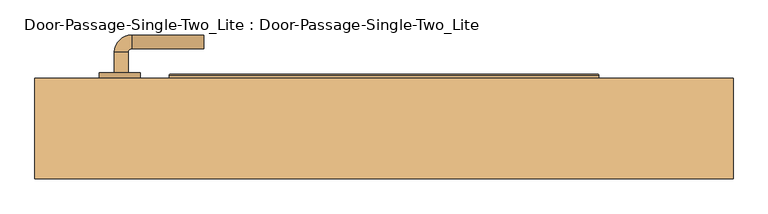
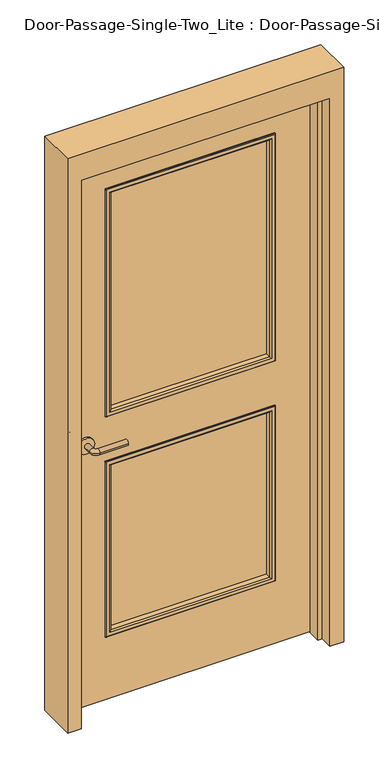
"""IFC4 building model written with IfcOpenShell, lengths in millimetres: door geometry, Door-Passage-Single-Two_Lite : Door-Passage-Single-Two_Lite."""

from ifc_helpers import new_model, si_unit, point, frame, frame_2d, origin, place, context, project, spatial, polyline, circle_curve, ellipse_curve, trimmed, segment, composite_curve, outline, extrude, faceted_brep, source, transform, mapped, element, save
from ifc_brep_helpers import plane_surface, cylinder_surface, revolved_surface, advanced_brep


def door_passage_single_two_lite_door_passage_single_two_lite_b0d020e8(model_context):
    return source(origin(), model_context, "Body", "SolidModel", [
        advanced_brep(
        [(-392.190625, 92.0125, 1016.0), (-372.190625, 92.0125, 1016.0), (-372.190625, 62.0125, 1016.0), (-392.190625, 62.0125, 1016.0), (-367.190625, 57.0125, 1016.0), (-367.190625, 37.0125, 1016.0), (-262.190625, 37.0125, 1016.0), (-262.190625, 57.0125, 1016.0)],
        [
            (0, 1, circle_curve(frame((-382.190625, 92.0125, 1016.0), z_axis=(0.0, 1.0, 0.0), x_axis=(1.0, 0.0, 0.0)), 10.0)),
            (1, 0, circle_curve(frame((-382.190625, 92.0125, 1016.0), z_axis=(0.0, 1.0, 0.0), x_axis=(1.0, 0.0, 0.0)), 10.0)),
            (1, 2),
            (2, 3, circle_curve(frame((-382.190625, 62.0125, 1016.0), z_axis=(0.0, 1.0, 0.0), x_axis=(1.0, 0.0, 0.0)), 10.0)),
            (3, 0),
            (3, 2, circle_curve(frame((-382.190625, 62.0125, 1016.0), z_axis=(0.0, 1.0, 0.0), x_axis=(1.0, 0.0, 0.0)), 10.0)),
            (4, 5, circle_curve(frame((-367.190625, 47.0125, 1016.0), z_axis=(-1.0, 0.0, 0.0), x_axis=(0.0, 1.0, 0.0)), 10.0)),
            (5, 3, circle_curve(frame((-367.190625, 62.0125, 1016.0), z_axis=(0.0, 0.0, -1.0), x_axis=(-1.0, 0.0, 0.0)), 25.0)),
            (2, 4, circle_curve(frame((-367.190625, 62.0125, 1016.0), z_axis=(0.0, 0.0, 1.0), x_axis=(-1.0, 0.0, 0.0)), 5.0)),
            (5, 4, circle_curve(frame((-367.190625, 47.0125, 1016.0), z_axis=(-1.0, 0.0, 0.0), x_axis=(0.0, 1.0, 0.0)), 10.0)),
            (6, 7, circle_curve(frame((-262.190625, 47.0125, 1016.0), z_axis=(1.0, 0.0, 0.0), x_axis=(0.0, 1.0, 0.0)), 10.0)),
            (7, 6, circle_curve(frame((-262.190625, 47.0125, 1016.0), z_axis=(1.0, 0.0, 0.0), x_axis=(0.0, 1.0, 0.0)), 10.0)),
            (4, 7),
            (6, 5),
        ],
        [
            plane_surface(frame((-382.190625, 92.0125, 1016.0), z_axis=(0.0, 1.0, 0.0), x_axis=(0.0, 0.0, 1.0))),
            cylinder_surface(frame((-382.190625, 92.0125, 1016.0), z_axis=(0.0, 1.0, 0.0), x_axis=(1.0, 0.0, 0.0)), 10.0),
            revolved_surface(trimmed(ellipse_curve(frame((-382.190625, 62.0125, 1016.0), z_axis=(0.0, -1.0, 0.0), x_axis=(1.0, 0.0, 0.0)), 10.0, 10.0), [point((-392.190625, 62.0125, 1016.0))], [point((-372.190625, 62.0125, 1016.0))], True, "CARTESIAN"), (-367.190625, 62.0125, 1016.0), (0.0, 0.0, -1.0)),
            revolved_surface(trimmed(ellipse_curve(frame((-382.190625, 62.0125, 1016.0), z_axis=(0.0, -1.0, 0.0), x_axis=(1.0, 0.0, 0.0)), 10.0, 10.0), [point((-372.190625, 62.0125, 1016.0))], [point((-392.190625, 62.0125, 1016.0))], True, "CARTESIAN"), (-367.190625, 62.0125, 1016.0), (0.0, 0.0, -1.0)),
            plane_surface(frame((-262.190625, 47.0125, 1016.0), z_axis=(1.0, 0.0, 0.0), x_axis=(0.0, 0.0, 1.0))),
            cylinder_surface(frame((-367.190625, 47.0125, 1016.0), z_axis=(-1.0, 0.0, 0.0), x_axis=(0.0, 1.0, 0.0)), 10.0),
        ],
        [
            (0, [[1, 2]]),
            (1, [[3, 4, 5, -2]]),
            (1, [[-5, 6, -3, -1]]),
            (2, [[7, 8, -4, 9]]),
            (3, [[10, -9, -6, -8]]),
            (4, [[11, 12]]),
            (5, [[13, -11, 14, -7]]),
            (5, [[-14, -12, -13, -10]]),
        ],
    ),
        extrude(outline(composite_curve([segment(trimmed(circle_curve(frame_2d((1016.0, -384.690625)), 30.0), [point((1016.0, -414.690625))], [point((1016.0, -354.690625))], False, "CARTESIAN"), True, "CONTINUOUS"), segment(trimmed(circle_curve(frame_2d((1016.0, -384.690625)), 30.0), [point((1016.0, -354.690625))], [point((1016.0, -414.690625))], False, "CARTESIAN"), True, "CONTINUOUS")], self_intersect=False)), frame((0.0, 92.0125, 0.0), z_axis=(0.0, 1.0, 0.0), x_axis=(0.0, 0.0, 1.0)), (0.0, 0.0, 1.0), 8.0),
        advanced_brep(
        [(-392.190625, 152.4625, 1016.0), (-372.190625, 152.4625, 1016.0), (-392.190625, 182.4625, 1016.0), (-372.190625, 182.4625, 1016.0), (-367.190625, 187.4625, 1016.0), (-367.190625, 207.4625, 1016.0), (-262.190625, 207.4625, 1016.0), (-262.190625, 187.4625, 1016.0)],
        [
            (0, 1, circle_curve(frame((-382.190625, 152.4625, 1016.0), z_axis=(0.0, -1.0, 0.0), x_axis=(1.0, 0.0, 0.0)), 10.0)),
            (1, 0, circle_curve(frame((-382.190625, 152.4625, 1016.0), z_axis=(0.0, -1.0, 0.0), x_axis=(1.0, 0.0, 0.0)), 10.0)),
            (0, 2),
            (2, 3, circle_curve(frame((-382.190625, 182.4625, 1016.0), z_axis=(0.0, -1.0, 0.0), x_axis=(1.0, 0.0, 0.0)), 10.0)),
            (3, 1),
            (3, 2, circle_curve(frame((-382.190625, 182.4625, 1016.0), z_axis=(0.0, -1.0, 0.0), x_axis=(1.0, 0.0, 0.0)), 10.0)),
            (4, 3, circle_curve(frame((-367.190625, 182.4625, 1016.0), z_axis=(0.0, 0.0, 1.0), x_axis=(-1.0, 0.0, 0.0)), 5.0)),
            (2, 5, circle_curve(frame((-367.190625, 182.4625, 1016.0), z_axis=(0.0, 0.0, -1.0), x_axis=(-1.0, 0.0, 0.0)), 25.0)),
            (5, 4, circle_curve(frame((-367.190625, 197.4625, 1016.0), z_axis=(-1.0, 0.0, 0.0), x_axis=(0.0, -1.0, 0.0)), 10.0)),
            (4, 5, circle_curve(frame((-367.190625, 197.4625, 1016.0), z_axis=(-1.0, 0.0, 0.0), x_axis=(0.0, -1.0, 0.0)), 10.0)),
            (6, 7, circle_curve(frame((-262.190625, 197.4625, 1016.0), z_axis=(1.0, 0.0, 0.0), x_axis=(0.0, -1.0, 0.0)), 10.0)),
            (7, 6, circle_curve(frame((-262.190625, 197.4625, 1016.0), z_axis=(1.0, 0.0, 0.0), x_axis=(0.0, -1.0, 0.0)), 10.0)),
            (5, 6),
            (7, 4),
        ],
        [
            plane_surface(frame((-382.190625, 152.4625, 1016.0), z_axis=(0.0, -1.0, 0.0), x_axis=(0.0, 0.0, 1.0))),
            cylinder_surface(frame((-382.190625, 152.4625, 1016.0), z_axis=(0.0, -1.0, 0.0), x_axis=(1.0, 0.0, 0.0)), 10.0),
            revolved_surface(trimmed(ellipse_curve(frame((-382.190625, 182.4625, 1016.0), z_axis=(0.0, -1.0, 0.0), x_axis=(1.0, 0.0, 0.0)), 10.0, 10.0), [point((-392.190625, 182.4625, 1016.0))], [point((-372.190625, 182.4625, 1016.0))], True, "CARTESIAN"), (-367.190625, 182.4625, 1016.0), (0.0, 0.0, -1.0)),
            revolved_surface(trimmed(ellipse_curve(frame((-382.190625, 182.4625, 1016.0), z_axis=(0.0, -1.0, 0.0), x_axis=(1.0, 0.0, 0.0)), 10.0, 10.0), [point((-372.190625, 182.4625, 1016.0))], [point((-392.190625, 182.4625, 1016.0))], True, "CARTESIAN"), (-367.190625, 182.4625, 1016.0), (0.0, 0.0, -1.0)),
            plane_surface(frame((-262.190625, 197.4625, 1016.0), z_axis=(1.0, 0.0, 0.0), x_axis=(0.0, 0.0, 1.0))),
            cylinder_surface(frame((-367.190625, 197.4625, 1016.0), z_axis=(-1.0, 0.0, 0.0), x_axis=(0.0, -1.0, 0.0)), 10.0),
        ],
        [
            (0, [[1, 2]]),
            (1, [[-1, 3, 4, 5]]),
            (1, [[-2, -5, 6, -3]]),
            (2, [[7, -4, 8, 9]]),
            (3, [[-8, -6, -7, 10]]),
            (4, [[11, 12]]),
            (5, [[-9, 13, -12, 14]]),
            (5, [[-10, -14, -11, -13]]),
        ],
    ),
        extrude(outline(composite_curve([segment(trimmed(circle_curve(frame_2d((1016.0, -384.690625)), 30.0), [point((1016.0, -414.690625))], [point((1016.0, -354.690625))], False, "CARTESIAN"), True, "CONTINUOUS"), segment(trimmed(circle_curve(frame_2d((1016.0, -384.690625)), 30.0), [point((1016.0, -354.690625))], [point((1016.0, -414.690625))], False, "CARTESIAN"), True, "CONTINUOUS")], self_intersect=False)), frame((0.0, 144.4625, 0.0), z_axis=(0.0, 1.0, 0.0), x_axis=(0.0, 0.0, 1.0)), (0.0, 0.0, 1.0), 8.0),
        faceted_brep([(457.2, 95.25, 0.0), (457.2, 144.4625, 0.0), (508.0, 144.4625, 0.0), (508.0, -1.5875, 0.0), (457.2, -1.5875, 0.0), (457.2, 47.625, 0.0), (441.325, 47.625, 0.0), (441.325, 95.25, 0.0), (457.2, 95.25, 2133.6), (457.2, 144.4625, 2133.6), (-457.2, 144.4625, 2133.6), (-457.2, 144.4625, 0.0), (-508.0, 144.4625, 0.0), (-508.0, 144.4625, 2235.2), (508.0, 144.4625, 2235.2), (508.0, -1.5875, 2235.2), (-508.0, -1.5875, 2235.2), (-508.0, -1.5875, 0.0), (-457.2, -1.5875, 0.0), (-457.2, -1.5875, 2133.6), (457.2, -1.5875, 2133.6), (457.2, 47.625, 2133.6), (-457.2, 47.625, 2133.6), (-457.2, 47.625, 0.0), (-441.325, 47.625, 0.0), (-441.325, 47.625, 2117.725), (441.325, 47.625, 2117.725), (441.325, 95.25, 2117.725), (-441.325, 95.25, 2117.725), (-441.325, 95.25, 0.0), (-457.2, 95.25, 0.0), (-457.2, 95.25, 2133.6)], [[[0, 1, 2, 3, 4, 5, 6, 7]], [[1, 0, 8, 9]], [[2, 1, 9, 10, 11, 12, 13, 14]], [[3, 2, 14, 15]], [[4, 3, 15, 16, 17, 18, 19, 20]], [[5, 4, 20, 21]], [[6, 5, 21, 22, 23, 24, 25, 26]], [[7, 6, 26, 27]], [[0, 7, 27, 28, 29, 30, 31, 8]], [[9, 8, 31, 10]], [[20, 19, 22, 21]], [[26, 25, 28, 27]], [[12, 11, 30, 29, 24, 23, 18, 17]], [[11, 10, 31, 30]], [[13, 12, 17, 16]], [[19, 18, 23, 22]], [[25, 24, 29, 28]], [[15, 14, 13, 16]]]),
        extrude(outline(polyline([(2133.6, -457.2), (0.0, -457.2), (0.0, 457.2), (2133.6, 457.2), (2133.6, -457.2)]), holes=[polyline([(1981.2, -304.8), (1981.2, 304.8), (1111.25, 304.8), (1111.25, -304.8), (1981.2, -304.8)]), polyline([(920.75, -304.8), (920.75, 304.8), (254.0, 304.8), (254.0, -304.8), (920.75, -304.8)])]), frame((0.0, 100.0125, 0.0), z_axis=(0.0, 1.0, 0.0), x_axis=(0.0, 0.0, 1.0)), (0.0, 0.0, 1.0), 44.45),
        extrude(outline(polyline([(304.8, 119.0625), (-304.8, 119.0625), (-304.8, 125.4125), (304.8, 125.4125), (304.8, 119.0625)])), frame((0.0, 0.0, 1111.25), z_axis=(0.0, 0.0, 1.0), x_axis=(1.0, 0.0, 0.0)), (0.0, 0.0, 1.0), 869.95),
        extrude(outline(polyline([(304.8, 119.0625), (-304.8, 119.0625), (-304.8, 125.4125), (304.8, 125.4125), (304.8, 119.0625)])), frame((0.0, 0.0, 254.0), z_axis=(0.0, 0.0, 1.0), x_axis=(1.0, 0.0, 0.0)), (0.0, 0.0, 1.0), 666.75),
        advanced_brep(
        [(304.8, 119.0625, 920.75), (304.8, 100.0125, 920.75), (304.8, 100.0125, 254.0), (304.8, 119.0625, 254.0), (292.8, 99.0125, 908.75), (292.8, 119.0625, 908.75), (292.8, 119.0625, 266.0), (292.8, 99.0125, 266.0), (297.8, 94.0125, 913.75), (297.8, 94.0125, 261.0), (312.8, 96.0125, 928.75), (310.8, 94.0125, 926.75), (310.8, 94.0125, 248.0), (312.8, 96.0125, 246.0), (312.8, 100.0125, 928.75), (312.8, 100.0125, 246.0), (-304.8, 100.0125, 254.0), (-304.8, 119.0625, 254.0), (-292.8, 119.0625, 266.0), (-292.8, 99.0125, 266.0), (-297.8, 94.0125, 261.0), (-310.8, 94.0125, 248.0), (-312.8, 96.0125, 246.0), (-312.8, 100.0125, 246.0), (-304.8, 100.0125, 920.75), (-304.8, 119.0625, 920.75), (-292.8, 119.0625, 908.75), (-292.8, 99.0125, 908.75), (-297.8, 94.0125, 913.75), (-310.8, 94.0125, 926.75), (-312.8, 96.0125, 928.75), (-312.8, 100.0125, 928.75)],
        [
            (0, 1),
            (1, 2),
            (2, 3),
            (3, 0),
            (4, 5),
            (5, 6),
            (6, 7),
            (7, 4),
            (8, 4, ellipse_curve(frame((297.8, 99.0125, 913.75), z_axis=(0.7071067811865475, 0.0, -0.7071067811865475), x_axis=(0.7071067811865474, 0.0, 0.7071067811865476)), 7.0710678, 5.0)),
            (7, 9, ellipse_curve(frame((297.8, 99.0125, 261.0), z_axis=(0.7071067811865475, 0.0, 0.7071067811865475), x_axis=(-0.7071067811865474, 0.0, 0.7071067811865476)), 7.0710678, 5.0)),
            (9, 8),
            (10, 11, ellipse_curve(frame((310.8, 96.0125, 926.75), z_axis=(0.7071067811865475, 0.0, -0.7071067811865475), x_axis=(0.7071067811865474, 0.0, 0.7071067811865476)), 2.8284271, 2.0)),
            (11, 12),
            (12, 13, ellipse_curve(frame((310.8, 96.0125, 248.0), z_axis=(0.7071067811865475, 0.0, 0.7071067811865475), x_axis=(-0.7071067811865474, 0.0, 0.7071067811865476)), 2.8284271, 2.0)),
            (13, 10),
            (14, 10),
            (13, 15),
            (15, 14),
            (2, 16),
            (16, 17),
            (17, 3),
            (6, 18),
            (18, 19),
            (19, 7),
            (19, 20, ellipse_curve(frame((-297.8, 99.0125, 261.0), z_axis=(0.7071067811865475, 0.0, -0.7071067811865475), x_axis=(0.7071067811865476, 0.0, 0.7071067811865474)), 7.0710678, 5.0)),
            (20, 9),
            (12, 21),
            (21, 22, ellipse_curve(frame((-310.8, 96.0125, 248.0), z_axis=(0.7071067811865475, 0.0, -0.7071067811865475), x_axis=(0.7071067811865476, 0.0, 0.7071067811865474)), 2.8284271, 2.0)),
            (22, 13),
            (22, 23),
            (23, 15),
            (16, 24),
            (24, 25),
            (25, 17),
            (18, 26),
            (26, 27),
            (27, 19),
            (27, 28, ellipse_curve(frame((-297.8, 99.0125, 913.75), z_axis=(-0.7071067811865475, 0.0, -0.7071067811865475), x_axis=(0.7071067811865474, 0.0, -0.7071067811865476)), 7.0710678, 5.0)),
            (28, 20),
            (21, 29),
            (29, 30, ellipse_curve(frame((-310.8, 96.0125, 926.75), z_axis=(-0.7071067811865475, 0.0, -0.7071067811865475), x_axis=(0.7071067811865474, 0.0, -0.7071067811865476)), 2.8284271, 2.0)),
            (30, 22),
            (30, 31),
            (31, 23),
            (31, 14),
            (1, 24),
            (0, 25),
            (5, 26),
            (4, 27),
            (8, 28),
            (11, 29),
            (10, 30),
        ],
        [
            plane_surface(frame((304.8, 100.0125, 920.75), z_axis=(1.0, 0.0, 0.0), x_axis=(0.0, 0.0, -1.0))),
            plane_surface(frame((292.8, 119.0625, 908.75), z_axis=(-1.0, 0.0, 0.0), x_axis=(0.0, 0.0, -1.0))),
            cylinder_surface(frame((297.8, 99.0125, 920.75), z_axis=(0.0, 0.0, 1.0), x_axis=(1.0, 0.0, 0.0)), 5.0),
            cylinder_surface(frame((310.8, 96.0125, 920.75), z_axis=(0.0, 0.0, 1.0), x_axis=(1.0, 0.0, 0.0)), 2.0),
            plane_surface(frame((312.8, 96.0125, 928.75), z_axis=(1.0, 0.0, 0.0), x_axis=(0.0, 0.0, -1.0))),
            plane_surface(frame((304.8, 100.0125, 254.0), z_axis=(0.0, 0.0, -1.0), x_axis=(-1.0, 0.0, 0.0))),
            plane_surface(frame((292.8, 119.0625, 266.0), z_axis=(0.0, 0.0, 1.0), x_axis=(-1.0, 0.0, 0.0))),
            cylinder_surface(frame((304.8, 99.0125, 261.0), z_axis=(1.0, 0.0, 0.0), x_axis=(0.0, 0.0, -1.0)), 5.0),
            cylinder_surface(frame((304.8, 96.0125, 248.0), z_axis=(1.0, 0.0, 0.0), x_axis=(0.0, 0.0, -1.0)), 2.0),
            plane_surface(frame((312.8, 96.0125, 246.0), z_axis=(0.0, 0.0, -1.0), x_axis=(-1.0, 0.0, 0.0))),
            plane_surface(frame((-304.8, 100.0125, 254.0), z_axis=(-1.0, 0.0, 0.0), x_axis=(0.0, 0.0, 1.0))),
            plane_surface(frame((-292.8, 119.0625, 266.0), z_axis=(1.0, 0.0, 0.0), x_axis=(0.0, 0.0, 1.0))),
            cylinder_surface(frame((-297.8, 99.0125, 254.0), z_axis=(0.0, 0.0, -1.0), x_axis=(-1.0, 0.0, 0.0)), 5.0),
            cylinder_surface(frame((-310.8, 96.0125, 254.0), z_axis=(0.0, 0.0, -1.0), x_axis=(-1.0, 0.0, 0.0)), 2.0),
            plane_surface(frame((-312.8, 96.0125, 246.0), z_axis=(-1.0, 0.0, 0.0), x_axis=(0.0, 0.0, 1.0))),
            plane_surface(frame((-312.8, 100.0125, 928.75), z_axis=(0.0, 1.0, 0.0), x_axis=(1.0, 0.0, 0.0))),
            plane_surface(frame((-304.8, 100.0125, 920.75), z_axis=(0.0, 0.0, 1.0), x_axis=(1.0, 0.0, 0.0))),
            plane_surface(frame((-304.8, 119.0625, 920.75), z_axis=(0.0, 1.0, 0.0), x_axis=(1.0, 0.0, 0.0))),
            plane_surface(frame((-292.8, 119.0625, 908.75), z_axis=(0.0, 0.0, -1.0), x_axis=(1.0, 0.0, 0.0))),
            cylinder_surface(frame((-304.8, 99.0125, 913.75), z_axis=(-1.0, 0.0, 0.0), x_axis=(0.0, 0.0, 1.0)), 5.0),
            plane_surface(frame((-297.8, 94.0125, 913.75), z_axis=(0.0, -1.0, 0.0), x_axis=(1.0, 0.0, 0.0))),
            cylinder_surface(frame((-304.8, 96.0125, 926.75), z_axis=(-1.0, 0.0, 0.0), x_axis=(0.0, 0.0, 1.0)), 2.0),
            plane_surface(frame((-312.8, 96.0125, 928.75), z_axis=(0.0, 0.0, 1.0), x_axis=(1.0, 0.0, 0.0))),
        ],
        [
            (0, [[1, 2, 3, 4]]),
            (1, [[5, 6, 7, 8]]),
            (2, [[9, -8, 10, 11]]),
            (3, [[12, 13, 14, 15]]),
            (4, [[16, -15, 17, 18]]),
            (5, [[-3, 19, 20, 21]]),
            (6, [[-7, 22, 23, 24]]),
            (7, [[-10, -24, 25, 26]]),
            (8, [[-14, 27, 28, 29]]),
            (9, [[-17, -29, 30, 31]]),
            (10, [[-20, 32, 33, 34]]),
            (11, [[-23, 35, 36, 37]]),
            (12, [[-25, -37, 38, 39]]),
            (13, [[-28, 40, 41, 42]]),
            (14, [[-30, -42, 43, 44]]),
            (15, [[-31, -44, 45, -18], [46, -32, -19, -2]]),
            (16, [[-33, -46, -1, 47]]),
            (17, [[-21, -34, -47, -4], [48, -35, -22, -6]]),
            (18, [[-36, -48, -5, 49]]),
            (19, [[-38, -49, -9, 50]]),
            (20, [[51, -40, -27, -13], [-26, -39, -50, -11]]),
            (21, [[-41, -51, -12, 52]]),
            (22, [[-43, -52, -16, -45]]),
        ],
    ),
        advanced_brep(
        [(-304.8, 125.4125, 920.75), (-304.8, 144.4625, 920.75), (-304.8, 144.4625, 254.0), (-304.8, 125.4125, 254.0), (-292.8, 145.4625, 908.75), (-292.8, 125.4125, 908.75), (-292.8, 125.4125, 266.0), (-292.8, 145.4625, 266.0), (-297.8, 150.4625, 913.75), (-297.8, 150.4625, 261.0), (-312.8, 148.4625, 928.75), (-310.8, 150.4625, 926.75), (-310.8, 150.4625, 248.0), (-312.8, 148.4625, 246.0), (-312.8, 144.4625, 928.75), (-312.8, 144.4625, 246.0), (304.8, 144.4625, 254.0), (304.8, 125.4125, 254.0), (292.8, 125.4125, 266.0), (292.8, 145.4625, 266.0), (297.8, 150.4625, 261.0), (310.8, 150.4625, 248.0), (312.8, 148.4625, 246.0), (312.8, 144.4625, 246.0), (304.8, 144.4625, 920.75), (304.8, 125.4125, 920.75), (292.8, 125.4125, 908.75), (292.8, 145.4625, 908.75), (297.8, 150.4625, 913.75), (310.8, 150.4625, 926.75), (312.8, 148.4625, 928.75), (312.8, 144.4625, 928.75)],
        [
            (0, 1),
            (1, 2),
            (2, 3),
            (3, 0),
            (4, 5),
            (5, 6),
            (6, 7),
            (7, 4),
            (8, 4, ellipse_curve(frame((-297.8, 145.4625, 913.75), z_axis=(-0.7071067811865475, 0.0, -0.7071067811865475), x_axis=(-0.7071067811865474, 0.0, 0.7071067811865476)), 7.0710678, 5.0)),
            (7, 9, ellipse_curve(frame((-297.8, 145.4625, 261.0), z_axis=(-0.7071067811865475, 0.0, 0.7071067811865475), x_axis=(0.7071067811865474, 0.0, 0.7071067811865476)), 7.0710678, 5.0)),
            (9, 8),
            (10, 11, ellipse_curve(frame((-310.8, 148.4625, 926.75), z_axis=(-0.7071067811865475, 0.0, -0.7071067811865475), x_axis=(-0.7071067811865474, 0.0, 0.7071067811865476)), 2.8284271, 2.0)),
            (11, 12),
            (12, 13, ellipse_curve(frame((-310.8, 148.4625, 248.0), z_axis=(-0.7071067811865475, 0.0, 0.7071067811865475), x_axis=(0.7071067811865474, 0.0, 0.7071067811865476)), 2.8284271, 2.0)),
            (13, 10),
            (14, 10),
            (13, 15),
            (15, 14),
            (2, 16),
            (16, 17),
            (17, 3),
            (6, 18),
            (18, 19),
            (19, 7),
            (19, 20, ellipse_curve(frame((297.8, 145.4625, 261.0), z_axis=(-0.7071067811865475, 0.0, -0.7071067811865475), x_axis=(-0.7071067811865476, 0.0, 0.7071067811865474)), 7.0710678, 5.0)),
            (20, 9),
            (12, 21),
            (21, 22, ellipse_curve(frame((310.8, 148.4625, 248.0), z_axis=(-0.7071067811865475, 0.0, -0.7071067811865475), x_axis=(-0.7071067811865476, 0.0, 0.7071067811865474)), 2.8284271, 2.0)),
            (22, 13),
            (22, 23),
            (23, 15),
            (16, 24),
            (24, 25),
            (25, 17),
            (18, 26),
            (26, 27),
            (27, 19),
            (27, 28, ellipse_curve(frame((297.8, 145.4625, 913.75), z_axis=(0.7071067811865475, 0.0, -0.7071067811865475), x_axis=(-0.7071067811865474, 0.0, -0.7071067811865476)), 7.0710678, 5.0)),
            (28, 20),
            (21, 29),
            (29, 30, ellipse_curve(frame((310.8, 148.4625, 926.75), z_axis=(0.7071067811865475, 0.0, -0.7071067811865475), x_axis=(-0.7071067811865474, 0.0, -0.7071067811865476)), 2.8284271, 2.0)),
            (30, 22),
            (30, 31),
            (31, 23),
            (31, 14),
            (1, 24),
            (0, 25),
            (5, 26),
            (4, 27),
            (8, 28),
            (11, 29),
            (10, 30),
        ],
        [
            plane_surface(frame((-304.8, 144.4625, 920.75), z_axis=(-1.0, 0.0, 0.0), x_axis=(0.0, 0.0, -1.0))),
            plane_surface(frame((-292.8, 125.4125, 908.75), z_axis=(1.0, 0.0, 0.0), x_axis=(0.0, 0.0, -1.0))),
            cylinder_surface(frame((-297.8, 145.4625, 920.75), z_axis=(0.0, 0.0, 1.0), x_axis=(-1.0, 0.0, 0.0)), 5.0),
            cylinder_surface(frame((-310.8, 148.4625, 920.75), z_axis=(0.0, 0.0, 1.0), x_axis=(-1.0, 0.0, 0.0)), 2.0),
            plane_surface(frame((-312.8, 148.4625, 928.75), z_axis=(-1.0, 0.0, 0.0), x_axis=(0.0, 0.0, -1.0))),
            plane_surface(frame((-304.8, 144.4625, 254.0), z_axis=(0.0, 0.0, -1.0), x_axis=(1.0, 0.0, 0.0))),
            plane_surface(frame((-292.8, 125.4125, 266.0), z_axis=(0.0, 0.0, 1.0), x_axis=(1.0, 0.0, 0.0))),
            cylinder_surface(frame((-304.8, 145.4625, 261.0), z_axis=(-1.0, 0.0, 0.0), x_axis=(0.0, 0.0, -1.0)), 5.0),
            cylinder_surface(frame((-304.8, 148.4625, 248.0), z_axis=(-1.0, 0.0, 0.0), x_axis=(0.0, 0.0, -1.0)), 2.0),
            plane_surface(frame((-312.8, 148.4625, 246.0), z_axis=(0.0, 0.0, -1.0), x_axis=(1.0, 0.0, 0.0))),
            plane_surface(frame((304.8, 144.4625, 254.0), z_axis=(1.0, 0.0, 0.0), x_axis=(0.0, 0.0, 1.0))),
            plane_surface(frame((292.8, 125.4125, 266.0), z_axis=(-1.0, 0.0, 0.0), x_axis=(0.0, 0.0, 1.0))),
            cylinder_surface(frame((297.8, 145.4625, 254.0), z_axis=(0.0, 0.0, -1.0), x_axis=(1.0, 0.0, 0.0)), 5.0),
            cylinder_surface(frame((310.8, 148.4625, 254.0), z_axis=(0.0, 0.0, -1.0), x_axis=(1.0, 0.0, 0.0)), 2.0),
            plane_surface(frame((312.8, 148.4625, 246.0), z_axis=(1.0, 0.0, 0.0), x_axis=(0.0, 0.0, 1.0))),
            plane_surface(frame((312.8, 144.4625, 928.75), z_axis=(0.0, -1.0, 0.0), x_axis=(-1.0, 0.0, 0.0))),
            plane_surface(frame((304.8, 144.4625, 920.75), z_axis=(0.0, 0.0, 1.0), x_axis=(-1.0, 0.0, 0.0))),
            plane_surface(frame((304.8, 125.4125, 920.75), z_axis=(0.0, -1.0, 0.0), x_axis=(-1.0, 0.0, 0.0))),
            plane_surface(frame((292.8, 125.4125, 908.75), z_axis=(0.0, 0.0, -1.0), x_axis=(-1.0, 0.0, 0.0))),
            cylinder_surface(frame((304.8, 145.4625, 913.75), z_axis=(1.0, 0.0, 0.0), x_axis=(0.0, 0.0, 1.0)), 5.0),
            plane_surface(frame((297.8, 150.4625, 913.75), z_axis=(0.0, 1.0, 0.0), x_axis=(-1.0, 0.0, 0.0))),
            cylinder_surface(frame((304.8, 148.4625, 926.75), z_axis=(1.0, 0.0, 0.0), x_axis=(0.0, 0.0, 1.0)), 2.0),
            plane_surface(frame((312.8, 148.4625, 928.75), z_axis=(0.0, 0.0, 1.0), x_axis=(-1.0, 0.0, 0.0))),
        ],
        [
            (0, [[1, 2, 3, 4]]),
            (1, [[5, 6, 7, 8]]),
            (2, [[9, -8, 10, 11]]),
            (3, [[12, 13, 14, 15]]),
            (4, [[16, -15, 17, 18]]),
            (5, [[-3, 19, 20, 21]]),
            (6, [[-7, 22, 23, 24]]),
            (7, [[-10, -24, 25, 26]]),
            (8, [[-14, 27, 28, 29]]),
            (9, [[-17, -29, 30, 31]]),
            (10, [[-20, 32, 33, 34]]),
            (11, [[-23, 35, 36, 37]]),
            (12, [[-25, -37, 38, 39]]),
            (13, [[-28, 40, 41, 42]]),
            (14, [[-30, -42, 43, 44]]),
            (15, [[-31, -44, 45, -18], [46, -32, -19, -2]]),
            (16, [[-33, -46, -1, 47]]),
            (17, [[-21, -34, -47, -4], [48, -35, -22, -6]]),
            (18, [[-36, -48, -5, 49]]),
            (19, [[-38, -49, -9, 50]]),
            (20, [[51, -40, -27, -13], [-26, -39, -50, -11]]),
            (21, [[-41, -51, -12, 52]]),
            (22, [[-43, -52, -16, -45]]),
        ],
    ),
        advanced_brep(
        [(-304.8, 119.0625, 1111.25), (-304.8, 100.0125, 1111.25), (-304.8, 100.0125, 1981.2), (-304.8, 119.0625, 1981.2), (-292.8, 99.0125, 1123.25), (-292.8, 119.0625, 1123.25), (-292.8, 119.0625, 1969.2), (-292.8, 99.0125, 1969.2), (-297.8, 94.0125, 1118.25), (-297.8, 94.0125, 1974.2), (-312.8, 96.0125, 1103.25), (-310.8, 94.0125, 1105.25), (-310.8, 94.0125, 1987.2), (-312.8, 96.0125, 1989.2), (-312.8, 100.0125, 1103.25), (-312.8, 100.0125, 1989.2), (304.8, 100.0125, 1981.2), (304.8, 119.0625, 1981.2), (292.8, 119.0625, 1969.2), (292.8, 99.0125, 1969.2), (297.8, 94.0125, 1974.2), (310.8, 94.0125, 1987.2), (312.8, 96.0125, 1989.2), (312.8, 100.0125, 1989.2), (304.8, 100.0125, 1111.25), (304.8, 119.0625, 1111.25), (292.8, 119.0625, 1123.25), (292.8, 99.0125, 1123.25), (297.8, 94.0125, 1118.25), (310.8, 94.0125, 1105.25), (312.8, 96.0125, 1103.25), (312.8, 100.0125, 1103.25)],
        [
            (0, 1),
            (1, 2),
            (2, 3),
            (3, 0),
            (4, 5),
            (5, 6),
            (6, 7),
            (7, 4),
            (8, 4, ellipse_curve(frame((-297.8, 99.0125, 1118.25), z_axis=(-0.7071067811865475, 0.0, 0.7071067811865475), x_axis=(-0.7071067811865474, 0.0, -0.7071067811865476)), 7.0710678, 5.0)),
            (7, 9, ellipse_curve(frame((-297.8, 99.0125, 1974.2), z_axis=(-0.7071067811865475, 0.0, -0.7071067811865475), x_axis=(0.7071067811865474, 0.0, -0.7071067811865476)), 7.0710678, 5.0)),
            (9, 8),
            (10, 11, ellipse_curve(frame((-310.8, 96.0125, 1105.25), z_axis=(-0.7071067811865475, 0.0, 0.7071067811865475), x_axis=(-0.7071067811865474, 0.0, -0.7071067811865476)), 2.8284271, 2.0)),
            (11, 12),
            (12, 13, ellipse_curve(frame((-310.8, 96.0125, 1987.2), z_axis=(-0.7071067811865475, 0.0, -0.7071067811865475), x_axis=(0.7071067811865474, 0.0, -0.7071067811865476)), 2.8284271, 2.0)),
            (13, 10),
            (14, 10),
            (13, 15),
            (15, 14),
            (2, 16),
            (16, 17),
            (17, 3),
            (6, 18),
            (18, 19),
            (19, 7),
            (19, 20, ellipse_curve(frame((297.8, 99.0125, 1974.2), z_axis=(-0.7071067811865475, 0.0, 0.7071067811865475), x_axis=(-0.7071067811865476, 0.0, -0.7071067811865474)), 7.0710678, 5.0)),
            (20, 9),
            (12, 21),
            (21, 22, ellipse_curve(frame((310.8, 96.0125, 1987.2), z_axis=(-0.7071067811865475, 0.0, 0.7071067811865475), x_axis=(-0.7071067811865476, 0.0, -0.7071067811865474)), 2.8284271, 2.0)),
            (22, 13),
            (22, 23),
            (23, 15),
            (16, 24),
            (24, 25),
            (25, 17),
            (18, 26),
            (26, 27),
            (27, 19),
            (27, 28, ellipse_curve(frame((297.8, 99.0125, 1118.25), z_axis=(0.7071067811865475, 0.0, 0.7071067811865475), x_axis=(-0.7071067811865474, 0.0, 0.7071067811865476)), 7.0710678, 5.0)),
            (28, 20),
            (21, 29),
            (29, 30, ellipse_curve(frame((310.8, 96.0125, 1105.25), z_axis=(0.7071067811865475, 0.0, 0.7071067811865475), x_axis=(-0.7071067811865474, 0.0, 0.7071067811865476)), 2.8284271, 2.0)),
            (30, 22),
            (30, 31),
            (31, 23),
            (31, 14),
            (1, 24),
            (0, 25),
            (5, 26),
            (4, 27),
            (8, 28),
            (11, 29),
            (10, 30),
        ],
        [
            plane_surface(frame((-304.8, 100.0125, 1111.25), z_axis=(-1.0, 0.0, 0.0), x_axis=(0.0, 0.0, 1.0))),
            plane_surface(frame((-292.8, 119.0625, 1123.25), z_axis=(1.0, 0.0, 0.0), x_axis=(0.0, 0.0, 1.0))),
            cylinder_surface(frame((-297.8, 99.0125, 1111.25), z_axis=(0.0, 0.0, -1.0), x_axis=(-1.0, 0.0, 0.0)), 5.0),
            cylinder_surface(frame((-310.8, 96.0125, 1111.25), z_axis=(0.0, 0.0, -1.0), x_axis=(-1.0, 0.0, 0.0)), 2.0),
            plane_surface(frame((-312.8, 96.0125, 1103.25), z_axis=(-1.0, 0.0, 0.0), x_axis=(0.0, 0.0, 1.0))),
            plane_surface(frame((-304.8, 100.0125, 1981.2), z_axis=(0.0, 0.0, 1.0), x_axis=(1.0, 0.0, 0.0))),
            plane_surface(frame((-292.8, 119.0625, 1969.2), z_axis=(0.0, 0.0, -1.0), x_axis=(1.0, 0.0, 0.0))),
            cylinder_surface(frame((-304.8, 99.0125, 1974.2), z_axis=(-1.0, 0.0, 0.0), x_axis=(0.0, 0.0, 1.0)), 5.0),
            cylinder_surface(frame((-304.8, 96.0125, 1987.2), z_axis=(-1.0, 0.0, 0.0), x_axis=(0.0, 0.0, 1.0)), 2.0),
            plane_surface(frame((-312.8, 96.0125, 1989.2), z_axis=(0.0, 0.0, 1.0), x_axis=(1.0, 0.0, 0.0))),
            plane_surface(frame((304.8, 100.0125, 1981.2), z_axis=(1.0, 0.0, 0.0), x_axis=(0.0, 0.0, -1.0))),
            plane_surface(frame((292.8, 119.0625, 1969.2), z_axis=(-1.0, 0.0, 0.0), x_axis=(0.0, 0.0, -1.0))),
            cylinder_surface(frame((297.8, 99.0125, 1981.2), z_axis=(0.0, 0.0, 1.0), x_axis=(1.0, 0.0, 0.0)), 5.0),
            cylinder_surface(frame((310.8, 96.0125, 1981.2), z_axis=(0.0, 0.0, 1.0), x_axis=(1.0, 0.0, 0.0)), 2.0),
            plane_surface(frame((312.8, 96.0125, 1989.2), z_axis=(1.0, 0.0, 0.0), x_axis=(0.0, 0.0, -1.0))),
            plane_surface(frame((312.8, 100.0125, 1103.25), z_axis=(0.0, 1.0, 0.0), x_axis=(-1.0, 0.0, 0.0))),
            plane_surface(frame((304.8, 100.0125, 1111.25), z_axis=(0.0, 0.0, -1.0), x_axis=(-1.0, 0.0, 0.0))),
            plane_surface(frame((304.8, 119.0625, 1111.25), z_axis=(0.0, 1.0, 0.0), x_axis=(-1.0, 0.0, 0.0))),
            plane_surface(frame((292.8, 119.0625, 1123.25), z_axis=(0.0, 0.0, 1.0), x_axis=(-1.0, 0.0, 0.0))),
            cylinder_surface(frame((304.8, 99.0125, 1118.25), z_axis=(1.0, 0.0, 0.0), x_axis=(0.0, 0.0, -1.0)), 5.0),
            plane_surface(frame((297.8, 94.0125, 1118.25), z_axis=(0.0, -1.0, 0.0), x_axis=(-1.0, 0.0, 0.0))),
            cylinder_surface(frame((304.8, 96.0125, 1105.25), z_axis=(1.0, 0.0, 0.0), x_axis=(0.0, 0.0, -1.0)), 2.0),
            plane_surface(frame((312.8, 96.0125, 1103.25), z_axis=(0.0, 0.0, -1.0), x_axis=(-1.0, 0.0, 0.0))),
        ],
        [
            (0, [[1, 2, 3, 4]]),
            (1, [[5, 6, 7, 8]]),
            (2, [[9, -8, 10, 11]]),
            (3, [[12, 13, 14, 15]]),
            (4, [[16, -15, 17, 18]]),
            (5, [[-3, 19, 20, 21]]),
            (6, [[-7, 22, 23, 24]]),
            (7, [[-10, -24, 25, 26]]),
            (8, [[-14, 27, 28, 29]]),
            (9, [[-17, -29, 30, 31]]),
            (10, [[-20, 32, 33, 34]]),
            (11, [[-23, 35, 36, 37]]),
            (12, [[-25, -37, 38, 39]]),
            (13, [[-28, 40, 41, 42]]),
            (14, [[-30, -42, 43, 44]]),
            (15, [[-31, -44, 45, -18], [46, -32, -19, -2]]),
            (16, [[-33, -46, -1, 47]]),
            (17, [[-21, -34, -47, -4], [48, -35, -22, -6]]),
            (18, [[-36, -48, -5, 49]]),
            (19, [[-38, -49, -9, 50]]),
            (20, [[51, -40, -27, -13], [-26, -39, -50, -11]]),
            (21, [[-41, -51, -12, 52]]),
            (22, [[-43, -52, -16, -45]]),
        ],
    ),
        advanced_brep(
        [(-304.8, 125.4125, 1981.2), (-304.8, 144.4625, 1981.2), (-304.8, 144.4625, 1111.25), (-304.8, 125.4125, 1111.25), (-292.8, 145.4625, 1969.2), (-292.8, 125.4125, 1969.2), (-292.8, 125.4125, 1123.25), (-292.8, 145.4625, 1123.25), (-297.8, 150.4625, 1974.2), (-297.8, 150.4625, 1118.25), (-312.8, 148.4625, 1989.2), (-310.8, 150.4625, 1987.2), (-310.8, 150.4625, 1105.25), (-312.8, 148.4625, 1103.25), (-312.8, 144.4625, 1989.2), (-312.8, 144.4625, 1103.25), (304.8, 144.4625, 1111.25), (304.8, 125.4125, 1111.25), (292.8, 125.4125, 1123.25), (292.8, 145.4625, 1123.25), (297.8, 150.4625, 1118.25), (310.8, 150.4625, 1105.25), (312.8, 148.4625, 1103.25), (312.8, 144.4625, 1103.25), (304.8, 144.4625, 1981.2), (304.8, 125.4125, 1981.2), (292.8, 125.4125, 1969.2), (292.8, 145.4625, 1969.2), (297.8, 150.4625, 1974.2), (310.8, 150.4625, 1987.2), (312.8, 148.4625, 1989.2), (312.8, 144.4625, 1989.2)],
        [
            (0, 1),
            (1, 2),
            (2, 3),
            (3, 0),
            (4, 5),
            (5, 6),
            (6, 7),
            (7, 4),
            (8, 4, ellipse_curve(frame((-297.8, 145.4625, 1974.2), z_axis=(-0.7071067811865475, 0.0, -0.7071067811865475), x_axis=(-0.7071067811865474, 0.0, 0.7071067811865476)), 7.0710678, 5.0)),
            (7, 9, ellipse_curve(frame((-297.8, 145.4625, 1118.25), z_axis=(-0.7071067811865475, 0.0, 0.7071067811865475), x_axis=(0.7071067811865474, 0.0, 0.7071067811865476)), 7.0710678, 5.0)),
            (9, 8),
            (10, 11, ellipse_curve(frame((-310.8, 148.4625, 1987.2), z_axis=(-0.7071067811865475, 0.0, -0.7071067811865475), x_axis=(-0.7071067811865474, 0.0, 0.7071067811865476)), 2.8284271, 2.0)),
            (11, 12),
            (12, 13, ellipse_curve(frame((-310.8, 148.4625, 1105.25), z_axis=(-0.7071067811865475, 0.0, 0.7071067811865475), x_axis=(0.7071067811865474, 0.0, 0.7071067811865476)), 2.8284271, 2.0)),
            (13, 10),
            (14, 10),
            (13, 15),
            (15, 14),
            (2, 16),
            (16, 17),
            (17, 3),
            (6, 18),
            (18, 19),
            (19, 7),
            (19, 20, ellipse_curve(frame((297.8, 145.4625, 1118.25), z_axis=(-0.7071067811865475, 0.0, -0.7071067811865475), x_axis=(-0.7071067811865476, 0.0, 0.7071067811865474)), 7.0710678, 5.0)),
            (20, 9),
            (12, 21),
            (21, 22, ellipse_curve(frame((310.8, 148.4625, 1105.25), z_axis=(-0.7071067811865475, 0.0, -0.7071067811865475), x_axis=(-0.7071067811865476, 0.0, 0.7071067811865474)), 2.8284271, 2.0)),
            (22, 13),
            (22, 23),
            (23, 15),
            (16, 24),
            (24, 25),
            (25, 17),
            (18, 26),
            (26, 27),
            (27, 19),
            (27, 28, ellipse_curve(frame((297.8, 145.4625, 1974.2), z_axis=(0.7071067811865475, 0.0, -0.7071067811865475), x_axis=(-0.7071067811865474, 0.0, -0.7071067811865476)), 7.0710678, 5.0)),
            (28, 20),
            (21, 29),
            (29, 30, ellipse_curve(frame((310.8, 148.4625, 1987.2), z_axis=(0.7071067811865475, 0.0, -0.7071067811865475), x_axis=(-0.7071067811865474, 0.0, -0.7071067811865476)), 2.8284271, 2.0)),
            (30, 22),
            (30, 31),
            (31, 23),
            (31, 14),
            (1, 24),
            (0, 25),
            (5, 26),
            (4, 27),
            (8, 28),
            (11, 29),
            (10, 30),
        ],
        [
            plane_surface(frame((-304.8, 144.4625, 1981.2), z_axis=(-1.0, 0.0, 0.0), x_axis=(0.0, 0.0, -1.0))),
            plane_surface(frame((-292.8, 125.4125, 1969.2), z_axis=(1.0, 0.0, 0.0), x_axis=(0.0, 0.0, -1.0))),
            cylinder_surface(frame((-297.8, 145.4625, 1981.2), z_axis=(0.0, 0.0, 1.0), x_axis=(-1.0, 0.0, 0.0)), 5.0),
            cylinder_surface(frame((-310.8, 148.4625, 1981.2), z_axis=(0.0, 0.0, 1.0), x_axis=(-1.0, 0.0, 0.0)), 2.0),
            plane_surface(frame((-312.8, 148.4625, 1989.2), z_axis=(-1.0, 0.0, 0.0), x_axis=(0.0, 0.0, -1.0))),
            plane_surface(frame((-304.8, 144.4625, 1111.25), z_axis=(0.0, 0.0, -1.0), x_axis=(1.0, 0.0, 0.0))),
            plane_surface(frame((-292.8, 125.4125, 1123.25), z_axis=(0.0, 0.0, 1.0), x_axis=(1.0, 0.0, 0.0))),
            cylinder_surface(frame((-304.8, 145.4625, 1118.25), z_axis=(-1.0, 0.0, 0.0), x_axis=(0.0, 0.0, -1.0)), 5.0),
            cylinder_surface(frame((-304.8, 148.4625, 1105.25), z_axis=(-1.0, 0.0, 0.0), x_axis=(0.0, 0.0, -1.0)), 2.0),
            plane_surface(frame((-312.8, 148.4625, 1103.25), z_axis=(0.0, 0.0, -1.0), x_axis=(1.0, 0.0, 0.0))),
            plane_surface(frame((304.8, 144.4625, 1111.25), z_axis=(1.0, 0.0, 0.0), x_axis=(0.0, 0.0, 1.0))),
            plane_surface(frame((292.8, 125.4125, 1123.25), z_axis=(-1.0, 0.0, 0.0), x_axis=(0.0, 0.0, 1.0))),
            cylinder_surface(frame((297.8, 145.4625, 1111.25), z_axis=(0.0, 0.0, -1.0), x_axis=(1.0, 0.0, 0.0)), 5.0),
            cylinder_surface(frame((310.8, 148.4625, 1111.25), z_axis=(0.0, 0.0, -1.0), x_axis=(1.0, 0.0, 0.0)), 2.0),
            plane_surface(frame((312.8, 148.4625, 1103.25), z_axis=(1.0, 0.0, 0.0), x_axis=(0.0, 0.0, 1.0))),
            plane_surface(frame((312.8, 144.4625, 1989.2), z_axis=(0.0, -1.0, 0.0), x_axis=(-1.0, 0.0, 0.0))),
            plane_surface(frame((304.8, 144.4625, 1981.2), z_axis=(0.0, 0.0, 1.0), x_axis=(-1.0, 0.0, 0.0))),
            plane_surface(frame((304.8, 125.4125, 1981.2), z_axis=(0.0, -1.0, 0.0), x_axis=(-1.0, 0.0, 0.0))),
            plane_surface(frame((292.8, 125.4125, 1969.2), z_axis=(0.0, 0.0, -1.0), x_axis=(-1.0, 0.0, 0.0))),
            cylinder_surface(frame((304.8, 145.4625, 1974.2), z_axis=(1.0, 0.0, 0.0), x_axis=(0.0, 0.0, 1.0)), 5.0),
            plane_surface(frame((297.8, 150.4625, 1974.2), z_axis=(0.0, 1.0, 0.0), x_axis=(-1.0, 0.0, 0.0))),
            cylinder_surface(frame((304.8, 148.4625, 1987.2), z_axis=(1.0, 0.0, 0.0), x_axis=(0.0, 0.0, 1.0)), 2.0),
            plane_surface(frame((312.8, 148.4625, 1989.2), z_axis=(0.0, 0.0, 1.0), x_axis=(-1.0, 0.0, 0.0))),
        ],
        [
            (0, [[1, 2, 3, 4]]),
            (1, [[5, 6, 7, 8]]),
            (2, [[9, -8, 10, 11]]),
            (3, [[12, 13, 14, 15]]),
            (4, [[16, -15, 17, 18]]),
            (5, [[-3, 19, 20, 21]]),
            (6, [[-7, 22, 23, 24]]),
            (7, [[-10, -24, 25, 26]]),
            (8, [[-14, 27, 28, 29]]),
            (9, [[-17, -29, 30, 31]]),
            (10, [[-20, 32, 33, 34]]),
            (11, [[-23, 35, 36, 37]]),
            (12, [[-25, -37, 38, 39]]),
            (13, [[-28, 40, 41, 42]]),
            (14, [[-30, -42, 43, 44]]),
            (15, [[-31, -44, 45, -18], [46, -32, -19, -2]]),
            (16, [[-33, -46, -1, 47]]),
            (17, [[-21, -34, -47, -4], [48, -35, -22, -6]]),
            (18, [[-36, -48, -5, 49]]),
            (19, [[-38, -49, -9, 50]]),
            (20, [[51, -40, -27, -13], [-26, -39, -50, -11]]),
            (21, [[-41, -51, -12, 52]]),
            (22, [[-43, -52, -16, -45]]),
        ],
    ),
    ])


if __name__ == "__main__":
    model = new_model("IFC4")
    model_context = context("Model", 3, world=origin())
    ifc_project = project(units=[si_unit("LENGTHUNIT", "METRE", prefix="MILLI")], contexts=[model_context])
    site = spatial("IfcSite", under=ifc_project)
    building = spatial("IfcBuilding", under=site)
    placement = place(None, origin())
    door_passage_single_two_lite_door_passage_single_two_lite_shape = door_passage_single_two_lite_door_passage_single_two_lite_b0d020e8(model_context)
    element("IfcDoor", 1, ObjectType="Door-Passage-Single-Two_Lite : Door-Passage-Single-Two_Lite", at=placement, inside=building, context=model_context, shape_type="MappedRepresentation", body=[
        mapped(door_passage_single_two_lite_door_passage_single_two_lite_shape, transform((0.0, 0.0, 0.0), x_axis=(1.0, 0.0, 0.0), y_axis=(0.0, 1.0, 0.0), z_axis=(0.0, 0.0, 1.0))),
    ])
    save(model, "model.ifc")
